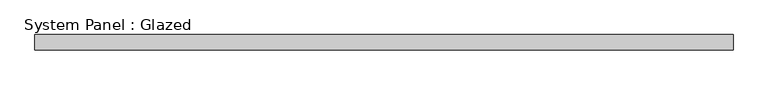
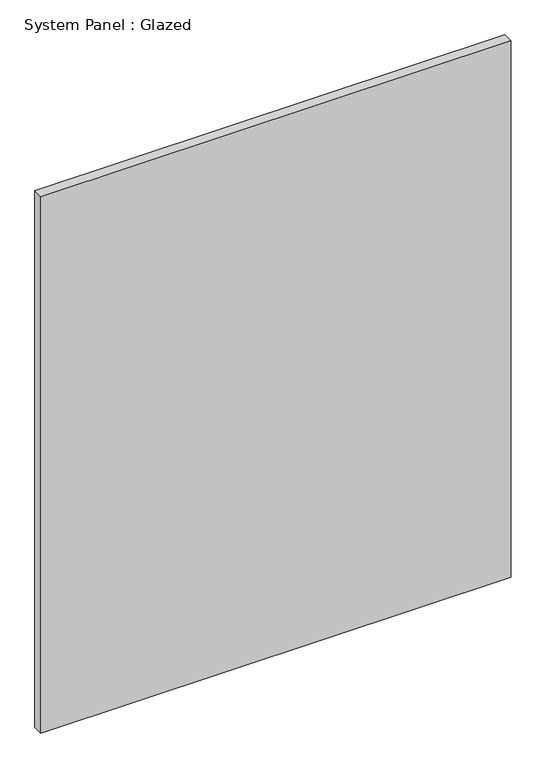
"""IFC4 building model written with IfcOpenShell, lengths in millimetres: plate geometry, System Panel : Glazed."""

from ifc_helpers import new_model, si_unit, origin, origin_with_axes, place, context, project, spatial, polyline, outline, extrude, source, transform, mapped, element, save


def system_panel_glazed_d503619c(model_context):
    return source(origin(), model_context, "Body", "SweptSolid", [
        extrude(outline(polyline([(577.85, 19.05), (-577.85, 19.05), (-577.85, 44.45), (577.85, 44.45), (577.85, 19.05)])), origin_with_axes(), (0.0, 0.0, 1.0), 1393.2838622),
    ])


if __name__ == "__main__":
    model = new_model("IFC4")
    model_context = context("Model", 3, world=origin())
    ifc_project = project(units=[si_unit("LENGTHUNIT", "METRE", prefix="MILLI")], contexts=[model_context])
    site = spatial("IfcSite", under=ifc_project)
    building = spatial("IfcBuilding", under=site)
    placement = place(None, origin())
    system_panel_glazed_shape = system_panel_glazed_d503619c(model_context)
    element("IfcPlate", 1, ObjectType="System Panel : Glazed", at=placement, inside=building, context=model_context, shape_type="MappedRepresentation", body=[
        mapped(system_panel_glazed_shape, transform((0.0, 0.0, 0.0), x_axis=(1.0, 0.0, 0.0), y_axis=(0.0, 1.0, 0.0), z_axis=(0.0, 0.0, 1.0))),
    ])
    save(model, "model.ifc")
